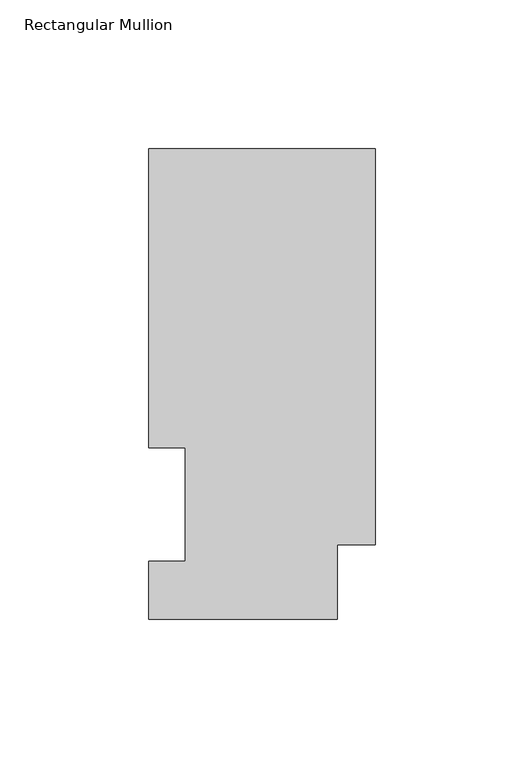
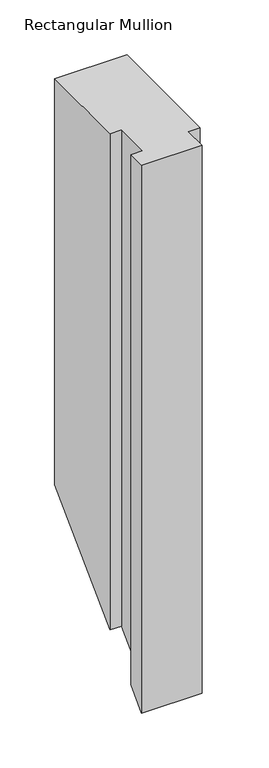
"""IFC4 building model written with IfcOpenShell, lengths in millimetres: member geometry, Rectangular Mullion."""

from ifc_helpers import new_model, si_unit, origin, place, context, project, spatial, faceted_brep, source, transform, mapped, element, save


def rectangular_mullion_7d470bb3(model_context):
    return source(origin(), model_context, "Body", "Brep", [
        faceted_brep([(0.0, 25.0832937, 0.0), (0.0, 158.3316937, 0.0), (-76.2, 158.3316937, 0.0), (-76.2, 57.6460937, 0.0), (-63.8581605, 57.6460938, 0.0), (-63.8581605, 19.5460937, 0.0), (-76.2, 19.5460937, 0.0), (-76.2, 0.0134938, 0.0), (-12.7, 0.0134938, 0.0), (-12.7, 25.0832937, 0.0), (0.0, 25.0832937, -584.4849563), (0.0, 158.3316937, -451.2365563), (-76.2, 158.3316937, -451.2365563), (-76.2, 57.6460937, -551.9221563), (-63.8581605, 57.6460938, -551.9221563), (-63.8581605, 19.5460937, -590.0221563), (-76.2, 19.5460937, -590.0221563), (-76.2, 0.0134938, -609.5547562), (-12.7, 0.0134938, -609.5547562), (-12.7, 25.0832937, -584.4849563)], [[[0, 1, 2, 3, 4, 5, 6, 7, 8, 9]], [[1, 0, 10, 11]], [[2, 1, 11, 12]], [[3, 2, 12, 13]], [[4, 3, 13, 14]], [[5, 4, 14, 15]], [[6, 5, 15, 16]], [[7, 6, 16, 17]], [[8, 7, 17, 18]], [[9, 8, 18, 19]], [[0, 9, 19, 10]], [[10, 19, 18, 17, 16, 15, 14, 13, 12, 11]]]),
    ])


if __name__ == "__main__":
    model = new_model("IFC4")
    model_context = context("Model", 3, world=origin())
    ifc_project = project(units=[si_unit("LENGTHUNIT", "METRE", prefix="MILLI")], contexts=[model_context])
    site = spatial("IfcSite", under=ifc_project)
    building = spatial("IfcBuilding", under=site)
    placement = place(None, origin())
    rectangular_mullion_shape = rectangular_mullion_7d470bb3(model_context)
    element("IfcMember", 1, ObjectType="Rectangular Mullion", at=placement, inside=building, context=model_context, shape_type="MappedRepresentation", body=[
        mapped(rectangular_mullion_shape, transform((0.0, 0.0, 0.0), x_axis=(1.0, 0.0, 0.0), y_axis=(0.0, 1.0, 0.0), z_axis=(0.0, 0.0, 1.0))),
    ])
    save(model, "model.ifc")
